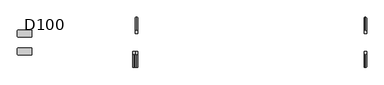
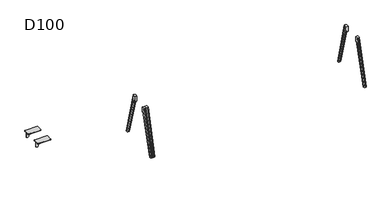
"""IFC4 building model written with IfcOpenShell, lengths in millimetres: furniture geometry, D100."""

from ifc_helpers import new_model, si_unit, point, frame, origin, place, context, project, spatial, polyline, circle_curve, ellipse_curve, trimmed, source, transform, mapped, element, save
from ifc_brep_helpers import plane_surface, cylinder_surface, revolved_surface, advanced_brep


def d100_e232b59c(model_context):
    return source(origin(), model_context, "Body", "AdvancedBrep", [
        advanced_brep(
        [(-3079.2740174, -165.2234902, 821.5334099), (-2905.4913675, -165.2234902, 852.5006338), (-2889.0, -165.2234902, 872.1904661), (-2889.0, -165.2234902, 880.0006338), (-3149.0, -165.2234902, 880.0006338), (-3149.0, -165.2234902, 791.0006338), (-3134.0, -165.2234902, 776.0006338), (-3119.0, -165.2234902, 776.0006338), (-3104.0036896, -165.2234902, 791.3333097), (-3079.2740174, -159.2234902, 821.5334099), (-3104.0036896, -159.2234902, 791.3333097), (-3119.0, -159.2234902, 776.0006338), (-3134.0, -159.2234902, 776.0006338), (-3149.0, -159.2234902, 791.0006338), (-3149.0, -159.2234902, 880.0006338), (-2889.0, -159.2234902, 880.0006338), (-2889.0, -159.2234902, 872.1904661), (-2905.4913675, -159.2234902, 852.5006338), (-3149.0, -113.2234902, 886.0006338), (-3149.0, -113.2234902, 880.0006338), (-3149.0, -211.2234902, 880.0006338), (-3149.0, -211.2234902, 886.0006338), (-3133.0, -227.2234902, 886.0006338), (-2905.0, -227.2234902, 886.0006338), (-2889.0, -211.2234902, 886.0006338), (-2889.0, -113.2234902, 886.0006338), (-2905.0, -97.2234902, 886.0006338), (-3133.0, -97.2234902, 886.0006338), (-2889.0, -211.2234902, 880.0006338), (-2889.0, -113.2234902, 880.0006338), (-3133.0, -97.2234902, 880.0006338), (-2905.0, -97.2234902, 880.0006338), (-2905.0, -227.2234902, 880.0006338), (-3133.0, -227.2234902, 880.0006338)],
        [
            (0, 1),
            (1, 2, circle_curve(frame((-2909.0, -165.2234902, 872.1904661), z_axis=(0.0, -1.0, 0.0), x_axis=(-1.0, 0.0, 0.0)), 20.0)),
            (2, 3),
            (3, 4),
            (4, 5),
            (5, 6, circle_curve(frame((-3134.0, -165.2234902, 791.0006338), z_axis=(0.0, -1.0, 0.0), x_axis=(-1.0, 0.0, 0.0)), 15.0)),
            (6, 7),
            (7, 8, circle_curve(frame((-3119.0, -165.2234902, 791.0006338), z_axis=(0.0, -1.0, 0.0), x_axis=(-1.0, 0.0, 0.0)), 15.0)),
            (8, 0, circle_curve(frame((-3074.0110687, -165.2234902, 791.9986614), z_axis=(0.0, 1.0, 0.0), x_axis=(-1.0, 0.0, 0.0)), 30.0)),
            (9, 10, circle_curve(frame((-3074.0110687, -159.2234902, 791.9986614), z_axis=(0.0, -1.0, 0.0), x_axis=(-1.0, 0.0, 0.0)), 30.0)),
            (10, 11, circle_curve(frame((-3119.0, -159.2234902, 791.0006338), z_axis=(0.0, 1.0, 0.0), x_axis=(-1.0, 0.0, 0.0)), 15.0)),
            (11, 12),
            (12, 13, circle_curve(frame((-3134.0, -159.2234902, 791.0006338), z_axis=(0.0, 1.0, 0.0), x_axis=(-1.0, 0.0, 0.0)), 15.0)),
            (13, 14),
            (14, 15),
            (15, 16),
            (16, 17, circle_curve(frame((-2909.0, -159.2234902, 872.1904661), z_axis=(0.0, 1.0, 0.0), x_axis=(-1.0, 0.0, 0.0)), 20.0)),
            (17, 9),
            (8, 10),
            (9, 0),
            (18, 19),
            (19, 14),
            (13, 5),
            (4, 20),
            (20, 21),
            (21, 18),
            (21, 22, circle_curve(frame((-3133.0, -211.2234902, 886.0006338), z_axis=(0.0, 0.0, 1.0), x_axis=(1.0, 0.0, 0.0)), 16.0)),
            (22, 23),
            (23, 24, circle_curve(frame((-2905.0, -211.2234902, 886.0006338), z_axis=(0.0, 0.0, 1.0), x_axis=(1.0, 0.0, 0.0)), 16.0)),
            (24, 25),
            (25, 26, circle_curve(frame((-2905.0, -113.2234902, 886.0006338), z_axis=(0.0, 0.0, 1.0), x_axis=(1.0, 0.0, 0.0)), 16.0)),
            (26, 27),
            (27, 18, circle_curve(frame((-3133.0, -113.2234902, 886.0006338), z_axis=(0.0, 0.0, 1.0), x_axis=(1.0, 0.0, 0.0)), 16.0)),
            (24, 28),
            (28, 3),
            (2, 16),
            (15, 29),
            (29, 25),
            (1, 17),
            (7, 11),
            (6, 12),
            (30, 31),
            (31, 29, circle_curve(frame((-2905.0, -113.2234902, 880.0006338), z_axis=(0.0, 0.0, -1.0), x_axis=(1.0, 0.0, 0.0)), 16.0)),
            (19, 30, circle_curve(frame((-3133.0, -113.2234902, 880.0006338), z_axis=(0.0, 0.0, -1.0), x_axis=(1.0, 0.0, 0.0)), 16.0)),
            (28, 32, circle_curve(frame((-2905.0, -211.2234902, 880.0006338), z_axis=(0.0, 0.0, -1.0), x_axis=(1.0, 0.0, 0.0)), 16.0)),
            (32, 33),
            (33, 20, circle_curve(frame((-3133.0, -211.2234902, 880.0006338), z_axis=(0.0, 0.0, -1.0), x_axis=(1.0, 0.0, 0.0)), 16.0)),
            (27, 30),
            (33, 22),
            (32, 23),
            (31, 26),
        ],
        [
            plane_surface(frame((-2905.4913675, -165.2234902, 852.5006338), z_axis=(0.0, -1.0, 0.0), x_axis=(0.9844916178685639, 0.0, 0.17543162299465165))),
            plane_surface(frame((-2905.4913675, -159.2234902, 852.5006338), z_axis=(0.0, 1.0, 0.0), x_axis=(-0.9844916178685639, 0.0, -0.17543162299465165))),
            revolved_surface(polyline([(-3104.0110687, -159.2234902, 791.9986614), (-3104.0110687, -165.2234902, 791.9986614)]), (-3074.0110687, -159.2234902, 791.9986614), (0.0, 1.0, 0.0)),
            plane_surface(frame((-3149.0, -165.2234902, 886.0006338), z_axis=(-1.0, 0.0, 0.0), x_axis=(0.0, 1.0, 0.0))),
            plane_surface(frame((-2889.0, -165.2234902, 886.0006338), z_axis=(0.0, 0.0, 1.0), x_axis=(0.0, 1.0, 0.0))),
            plane_surface(frame((-2889.0, -165.2234902, 872.1904661), z_axis=(1.0, 0.0, 0.0), x_axis=(0.0, 1.0, 0.0))),
            cylinder_surface(frame((-2909.0, -159.2234902, 872.1904661), z_axis=(0.0, -1.0, 0.0), x_axis=(-1.0, 0.0, 0.0)), 20.0),
            plane_surface(frame((-3079.2740174, -165.2234902, 821.5334099), z_axis=(0.17543162299465165, 0.0, -0.9844916178685639), x_axis=(0.0, 1.0, 0.0))),
            cylinder_surface(frame((-3119.0, -159.2234902, 791.0006338), z_axis=(0.0, -1.0, 0.0), x_axis=(-1.0, 0.0, 0.0)), 15.0),
            plane_surface(frame((-3134.0, -165.2234902, 776.0006338), z_axis=(0.0, 0.0, -1.0), x_axis=(0.0, 1.0, 0.0))),
            cylinder_surface(frame((-3134.0, -159.2234902, 791.0006338), z_axis=(0.0, -1.0, 0.0), x_axis=(-1.0, 0.0, 0.0)), 15.0),
            plane_surface(frame((-3117.0, -113.2234902, 880.0006338), z_axis=(0.0, 0.0, -1.0), x_axis=(0.0, -1.0, 0.0))),
            cylinder_surface(frame((-3133.0, -113.2234902, 880.0006338), z_axis=(0.0, 0.0, 1.0), x_axis=(1.0, 0.0, 0.0)), 16.0),
            cylinder_surface(frame((-3133.0, -211.2234902, 880.0006338), z_axis=(0.0, 0.0, 1.0), x_axis=(1.0, 0.0, 0.0)), 16.0),
            plane_surface(frame((-3133.0, -227.2234902, 886.0006338), z_axis=(0.0, -1.0, 0.0), x_axis=(0.0, 0.0, -1.0))),
            cylinder_surface(frame((-2905.0, -211.2234902, 880.0006338), z_axis=(0.0, 0.0, 1.0), x_axis=(1.0, 0.0, 0.0)), 16.0),
            cylinder_surface(frame((-2905.0, -113.2234902, 880.0006338), z_axis=(0.0, 0.0, 1.0), x_axis=(1.0, 0.0, 0.0)), 16.0),
            plane_surface(frame((-2905.0, -97.2234902, 886.0006338), z_axis=(0.0, 1.0, 0.0), x_axis=(0.0, 0.0, -1.0))),
        ],
        [
            (0, [[1, 2, 3, 4, 5, 6, 7, 8, 9]]),
            (1, [[10, 11, 12, 13, 14, 15, 16, 17, 18]]),
            (2, [[-9, 19, -10, 20]]),
            (3, [[21, 22, -14, 23, -5, 24, 25, 26]]),
            (4, [[-26, 27, 28, 29, 30, 31, 32, 33]]),
            (5, [[-30, 34, 35, -3, 36, -16, 37, 38]]),
            (6, [[-2, 39, -17, -36]]),
            (7, [[-1, -20, -18, -39]]),
            (8, [[-8, 40, -11, -19]]),
            (9, [[-7, 41, -12, -40]]),
            (10, [[-6, -23, -13, -41]]),
            (11, [[42, 43, -37, -15, -22, 44]]),
            (11, [[45, 46, 47, -24, -4, -35]]),
            (12, [[-33, 48, -44, -21]]),
            (13, [[-27, -25, -47, 49]]),
            (14, [[-28, -49, -46, 50]]),
            (15, [[-29, -50, -45, -34]]),
            (16, [[-31, -38, -43, 51]]),
            (17, [[-32, -51, -42, -48]]),
        ],
    ),
        advanced_brep(
        [(-3079.2740174, 165.2234902, 821.5334099), (-3104.0036896, 165.2234902, 791.3333097), (-3119.0, 165.2234902, 776.0006338), (-3134.0, 165.2234902, 776.0006338), (-3149.0, 165.2234902, 791.0006338), (-3149.0, 165.2234902, 880.0006338), (-2889.0, 165.2234902, 880.0006338), (-2889.0, 165.2234902, 872.1904661), (-2905.4913675, 165.2234902, 852.5006338), (-3079.2740174, 159.2234902, 821.5334099), (-2905.4913675, 159.2234902, 852.5006338), (-2889.0, 159.2234902, 872.1904661), (-2889.0, 159.2234902, 880.0006338), (-3149.0, 159.2234902, 880.0006338), (-3149.0, 159.2234902, 791.0006338), (-3134.0, 159.2234902, 776.0006338), (-3119.0, 159.2234902, 776.0006338), (-3104.0036896, 159.2234902, 791.3333097), (-3149.0, 113.2234902, 880.0006338), (-3149.0, 113.2234902, 886.0006338), (-3149.0, 211.2234902, 886.0006338), (-3149.0, 211.2234902, 880.0006338), (-3133.0, 97.2234902, 886.0006338), (-2905.0, 97.2234902, 886.0006338), (-2889.0, 113.2234902, 886.0006338), (-2889.0, 211.2234902, 886.0006338), (-2905.0, 227.2234902, 886.0006338), (-3133.0, 227.2234902, 886.0006338), (-2889.0, 113.2234902, 880.0006338), (-2889.0, 211.2234902, 880.0006338), (-3133.0, 97.2234902, 880.0006338), (-2905.0, 97.2234902, 880.0006338), (-3133.0, 227.2234902, 880.0006338), (-2905.0, 227.2234902, 880.0006338)],
        [
            (0, 1, circle_curve(frame((-3074.0110687, 165.2234902, 791.9986614), z_axis=(0.0, -1.0, 0.0), x_axis=(-1.0, 0.0, 0.0)), 30.0)),
            (1, 2, circle_curve(frame((-3119.0, 165.2234902, 791.0006338), z_axis=(0.0, 1.0, 0.0), x_axis=(-1.0, 0.0, 0.0)), 15.0)),
            (2, 3),
            (3, 4, circle_curve(frame((-3134.0, 165.2234902, 791.0006338), z_axis=(0.0, 1.0, 0.0), x_axis=(-1.0, 0.0, 0.0)), 15.0)),
            (4, 5),
            (5, 6),
            (6, 7),
            (7, 8, circle_curve(frame((-2909.0, 165.2234902, 872.1904661), z_axis=(0.0, 1.0, 0.0), x_axis=(-1.0, 0.0, 0.0)), 20.0)),
            (8, 0),
            (9, 10),
            (10, 11, circle_curve(frame((-2909.0, 159.2234902, 872.1904661), z_axis=(0.0, -1.0, 0.0), x_axis=(-1.0, 0.0, 0.0)), 20.0)),
            (11, 12),
            (12, 13),
            (13, 14),
            (14, 15, circle_curve(frame((-3134.0, 159.2234902, 791.0006338), z_axis=(0.0, -1.0, 0.0), x_axis=(-1.0, 0.0, 0.0)), 15.0)),
            (15, 16),
            (16, 17, circle_curve(frame((-3119.0, 159.2234902, 791.0006338), z_axis=(0.0, -1.0, 0.0), x_axis=(-1.0, 0.0, 0.0)), 15.0)),
            (17, 9, circle_curve(frame((-3074.0110687, 159.2234902, 791.9986614), z_axis=(0.0, 1.0, 0.0), x_axis=(-1.0, 0.0, 0.0)), 30.0)),
            (0, 9),
            (17, 1),
            (4, 14),
            (13, 18),
            (18, 19),
            (19, 20),
            (20, 21),
            (21, 5),
            (19, 22, circle_curve(frame((-3133.0, 113.2234902, 886.0006338), z_axis=(0.0, 0.0, 1.0), x_axis=(1.0, 0.0, 0.0)), 16.0)),
            (22, 23),
            (23, 24, circle_curve(frame((-2905.0, 113.2234902, 886.0006338), z_axis=(0.0, 0.0, 1.0), x_axis=(1.0, 0.0, 0.0)), 16.0)),
            (24, 25),
            (25, 26, circle_curve(frame((-2905.0, 211.2234902, 886.0006338), z_axis=(0.0, 0.0, 1.0), x_axis=(1.0, 0.0, 0.0)), 16.0)),
            (26, 27),
            (27, 20, circle_curve(frame((-3133.0, 211.2234902, 886.0006338), z_axis=(0.0, 0.0, 1.0), x_axis=(1.0, 0.0, 0.0)), 16.0)),
            (24, 28),
            (28, 12),
            (11, 7),
            (6, 29),
            (29, 25),
            (10, 8),
            (16, 2),
            (15, 3),
            (30, 18, circle_curve(frame((-3133.0, 113.2234902, 880.0006338), z_axis=(0.0, 0.0, -1.0), x_axis=(1.0, 0.0, 0.0)), 16.0)),
            (28, 31, circle_curve(frame((-2905.0, 113.2234902, 880.0006338), z_axis=(0.0, 0.0, -1.0), x_axis=(1.0, 0.0, 0.0)), 16.0)),
            (31, 30),
            (21, 32, circle_curve(frame((-3133.0, 211.2234902, 880.0006338), z_axis=(0.0, 0.0, -1.0), x_axis=(1.0, 0.0, 0.0)), 16.0)),
            (32, 33),
            (33, 29, circle_curve(frame((-2905.0, 211.2234902, 880.0006338), z_axis=(0.0, 0.0, -1.0), x_axis=(1.0, 0.0, 0.0)), 16.0)),
            (30, 22),
            (27, 32),
            (26, 33),
            (23, 31),
        ],
        [
            plane_surface(frame((-3104.0110687, 165.2234902, 791.9986614), z_axis=(0.0, 1.0, 0.0), x_axis=(0.0, 0.0, -1.0))),
            plane_surface(frame((-3104.0110687, 159.2234902, 791.9986614), z_axis=(0.0, -1.0, 0.0), x_axis=(0.0, 0.0, 1.0))),
            revolved_surface(polyline([(-3104.0110687, 159.2234902, 791.9986614), (-3104.0110687, 165.2234902, 791.9986614)]), (-3074.0110687, 159.2234902, 791.9986614), (0.0, -1.0, 0.0)),
            plane_surface(frame((-3149.0, 165.2234902, 791.0006338), z_axis=(-1.0, 0.0, 0.0), x_axis=(0.0, -1.0, 0.0))),
            plane_surface(frame((-3149.0, 165.2234902, 886.0006338), z_axis=(0.0, 0.0, 1.0), x_axis=(0.0, -1.0, 0.0))),
            plane_surface(frame((-2889.0, 165.2234902, 886.0006338), z_axis=(1.0, 0.0, 0.0), x_axis=(0.0, -1.0, 0.0))),
            cylinder_surface(frame((-2909.0, 159.2234902, 872.1904661), z_axis=(0.0, 1.0, 0.0), x_axis=(-1.0, 0.0, 0.0)), 20.0),
            plane_surface(frame((-2905.4913675, 165.2234902, 852.5006338), z_axis=(0.17543162299465243, 0.0, -0.9844916178685638), x_axis=(0.0, -1.0, 0.0))),
            cylinder_surface(frame((-3119.0, 159.2234902, 791.0006338), z_axis=(0.0, 1.0, 0.0), x_axis=(-1.0, 0.0, 0.0)), 15.0),
            plane_surface(frame((-3119.0, 165.2234902, 776.0006338), z_axis=(0.0, 0.0, -1.0), x_axis=(0.0, -1.0, 0.0))),
            cylinder_surface(frame((-3134.0, 159.2234902, 791.0006338), z_axis=(0.0, 1.0, 0.0), x_axis=(-1.0, 0.0, 0.0)), 15.0),
            plane_surface(frame((-2905.0, 97.2234902, 880.0006338), z_axis=(0.0, 0.0, -1.0), x_axis=(-1.0, 0.0, 0.0))),
            cylinder_surface(frame((-3133.0, 113.2234902, 880.0006338), z_axis=(0.0, 0.0, 1.0), x_axis=(1.0, 0.0, 0.0)), 16.0),
            cylinder_surface(frame((-3133.0, 211.2234902, 880.0006338), z_axis=(0.0, 0.0, 1.0), x_axis=(1.0, 0.0, 0.0)), 16.0),
            plane_surface(frame((-2905.0, 227.2234902, 886.0006338), z_axis=(0.0, 1.0, 0.0), x_axis=(0.0, 0.0, -1.0))),
            cylinder_surface(frame((-2905.0, 211.2234902, 880.0006338), z_axis=(0.0, 0.0, 1.0), x_axis=(1.0, 0.0, 0.0)), 16.0),
            cylinder_surface(frame((-2905.0, 113.2234902, 880.0006338), z_axis=(0.0, 0.0, 1.0), x_axis=(1.0, 0.0, 0.0)), 16.0),
            plane_surface(frame((-3133.0, 97.2234902, 886.0006338), z_axis=(0.0, -1.0, 0.0), x_axis=(0.0, 0.0, -1.0))),
        ],
        [
            (0, [[1, 2, 3, 4, 5, 6, 7, 8, 9]]),
            (1, [[10, 11, 12, 13, 14, 15, 16, 17, 18]]),
            (2, [[-1, 19, -18, 20]]),
            (3, [[21, -14, 22, 23, 24, 25, 26, -5]]),
            (4, [[-24, 27, 28, 29, 30, 31, 32, 33]]),
            (5, [[-30, 34, 35, -12, 36, -7, 37, 38]]),
            (6, [[-8, -36, -11, 39]]),
            (7, [[-9, -39, -10, -19]]),
            (8, [[-2, -20, -17, 40]]),
            (9, [[-3, -40, -16, 41]]),
            (10, [[-4, -41, -15, -21]]),
            (11, [[42, -22, -13, -35, 43, 44]]),
            (11, [[45, 46, 47, -37, -6, -26]]),
            (12, [[-27, -23, -42, 48]]),
            (13, [[-33, 49, -45, -25]]),
            (14, [[-32, 50, -46, -49]]),
            (15, [[-31, -38, -47, -50]]),
            (16, [[-29, 51, -43, -34]]),
            (17, [[-28, -48, -44, -51]]),
        ],
    ),
        advanced_brep(
        [(3134.0, -196.7124504, 753.5883612), (3149.0, -211.1253977, 757.7437132), (3149.0, -429.58813, 0.0), (3134.0, -413.9771661, 0.0), (3104.0, -211.1253977, 757.7437132), (3119.0, -196.7124504, 753.5883612), (3119.0, -413.9771661, 0.0), (3104.0, -429.58813, 0.0), (3149.0, -166.9256926, 791.0006338), (3134.0, -166.9256926, 776.0006338), (3134.0, -165.2234902, 776.0006338), (3149.0, -165.2234902, 791.0006338), (3119.0, -166.9256926, 776.0006338), (3104.0, -166.9256926, 791.0006338), (3104.0, -165.2234902, 791.0006338), (3119.0, -165.2234902, 776.0006338), (3104.0, -165.2234902, 880.0006338), (3104.0, -439.8031746, 0.0), (3104.0, -211.7278851, 880.0006338), (3149.0, -165.2234902, 880.0006338), (3149.0, -211.7278851, 880.0006338), (3149.0, -439.8031746, 0.0), (3134.0, -455.2987797, 0.0), (3119.0, -455.2987797, 0.0), (3134.0, -227.2234902, 880.0006338), (3119.0, -227.2234902, 880.0006338)],
        [
            (0, 1, circle_curve(frame((3134.0, -211.1253977, 757.7437132), z_axis=(0.0, -0.2770234661368847, -0.9608631532166827), x_axis=(0.0, 0.9608631532166827, -0.2770234661368847)), 15.0)),
            (1, 2),
            (2, 3, ellipse_curve(frame((3134.0, -429.58813, 0.0), z_axis=(0.0, 0.0, 1.0), x_axis=(0.0, 1.0, 0.0)), 15.6109639, 15.0)),
            (3, 0),
            (4, 5, circle_curve(frame((3119.0, -211.1253977, 757.7437132), z_axis=(0.0, -0.2770234661368847, -0.9608631532166827), x_axis=(0.0, 0.9608631532166827, -0.2770234661368847)), 15.0)),
            (5, 6),
            (6, 7, ellipse_curve(frame((3119.0, -429.58813, 0.0), z_axis=(0.0, 0.0, 1.0), x_axis=(0.0, 1.0, 0.0)), 15.6109639, 15.0)),
            (7, 4),
            (8, 9, circle_curve(frame((3134.0, -166.9256926, 791.0006338), z_axis=(0.0, 1.0, 0.0), x_axis=(0.0, 0.0, -1.0)), 15.0)),
            (9, 10),
            (10, 11, circle_curve(frame((3134.0, -165.2234902, 791.0006338), z_axis=(0.0, -1.0, 0.0), x_axis=(0.0, 0.0, -1.0)), 15.0)),
            (11, 8),
            (12, 13, circle_curve(frame((3119.0, -166.9256926, 791.0006338), z_axis=(0.0, 1.0, 0.0), x_axis=(0.0, 0.0, -1.0)), 15.0)),
            (13, 14),
            (14, 15, circle_curve(frame((3119.0, -165.2234902, 791.0006338), z_axis=(0.0, -1.0, 0.0), x_axis=(0.0, 0.0, -1.0)), 15.0)),
            (15, 12),
            (0, 9, circle_curve(frame((3134.0, -166.9256926, 745.0006338), z_axis=(-1.0, 0.0, 0.0), x_axis=(0.0, -0.9608631532166849, 0.2770234661368772)), 31.0)),
            (8, 1, circle_curve(frame((3149.0, -166.9256926, 745.0006338), z_axis=(1.0, 0.0, 0.0), x_axis=(0.0, -0.9608631532166849, 0.2770234661368772)), 46.0)),
            (4, 13, circle_curve(frame((3104.0, -166.9256926, 745.0006338), z_axis=(-1.0, 0.0, 0.0), x_axis=(0.0, -0.9608631532166849, 0.2770234661368772)), 46.0)),
            (12, 5, circle_curve(frame((3119.0, -166.9256926, 745.0006338), z_axis=(1.0, 0.0, 0.0), x_axis=(0.0, -0.9608631532166849, 0.2770234661368772)), 31.0)),
            (16, 14),
            (7, 17),
            (17, 18),
            (18, 16),
            (11, 19),
            (19, 20),
            (20, 21),
            (21, 2),
            (5, 0),
            (3, 6),
            (21, 22, ellipse_curve(frame((3134.0, -439.8031746, 0.0), z_axis=(0.0, 0.0, -1.0), x_axis=(0.0, 1.0, 0.0)), 15.4956051, 15.0)),
            (22, 23),
            (23, 17, ellipse_curve(frame((3119.0, -439.8031746, 0.0), z_axis=(0.0, 0.0, -1.0), x_axis=(0.0, 1.0, 0.0)), 15.4956051, 15.0)),
            (22, 24),
            (24, 25),
            (25, 23),
            (19, 16),
            (18, 25, ellipse_curve(frame((3119.0, -211.7278851, 880.0006338), z_axis=(0.0, 0.0, 1.0), x_axis=(0.0, 1.0, 0.0)), 15.4956051, 15.0)),
            (24, 20, ellipse_curve(frame((3134.0, -211.7278851, 880.0006338), z_axis=(0.0, 0.0, 1.0), x_axis=(0.0, 1.0, 0.0)), 15.4956051, 15.0)),
            (10, 15),
            (9, 12),
        ],
        [
            cylinder_surface(frame((3134.0, -448.1062889, -64.2307193), z_axis=(0.0, 0.2770234661368847, 0.9608631532166827), x_axis=(0.0, 0.9608631532166827, -0.2770234661368847)), 15.0),
            cylinder_surface(frame((3119.0, -448.1062889, -64.2307193), z_axis=(0.0, 0.2770234661368847, 0.9608631532166827), x_axis=(0.0, 0.9608631532166827, -0.2770234661368847)), 15.0),
            cylinder_surface(frame((3134.0, -166.9256926, 791.0006338), z_axis=(0.0, 1.0, 0.0), x_axis=(0.0, 0.0, -1.0)), 15.0),
            cylinder_surface(frame((3119.0, -166.9256926, 791.0006338), z_axis=(0.0, 1.0, 0.0), x_axis=(0.0, 0.0, -1.0)), 15.0),
            revolved_surface(trimmed(ellipse_curve(frame((3134.0, -211.1253977, 757.7437132), z_axis=(0.0, -0.27702346613687723, -0.9608631532166849), x_axis=(0.0, 0.9608631532166849, -0.27702346613687723)), 15.0, 15.0), [point((3134.0, -196.7124504, 753.5883612))], [point((3149.0, -211.1253977, 757.7437132))], True, "CARTESIAN"), (2367.0, -166.9256926, 745.0006338), (-1.0, 0.0, 0.0)),
            revolved_surface(trimmed(ellipse_curve(frame((3119.0, -211.1253977, 757.7437132), z_axis=(0.0, -0.27702346613687723, -0.9608631532166849), x_axis=(0.0, 0.9608631532166849, -0.27702346613687723)), 15.0, 15.0), [point((3104.0, -211.1253977, 757.7437132))], [point((3119.0, -196.7124504, 753.5883612))], True, "CARTESIAN"), (2367.0, -166.9256926, 745.0006338), (-1.0, 0.0, 0.0)),
            plane_surface(frame((3104.0, -413.4231192, 1.9217263), z_axis=(-1.0000000000000002, 0.0, 0.0), x_axis=(0.0, -0.2770234661368848, -0.9608631532166828))),
            plane_surface(frame((3149.0, -413.4231192, 1.9217263), z_axis=(1.0000000000000002, 0.0, 0.0), x_axis=(0.0, 0.2770234661368848, 0.9608631532166828))),
            plane_surface(frame((3104.0, -196.7124504, 753.5883612), z_axis=(0.0, 0.9608631532166828, -0.2770234661368848), x_axis=(1.0, 0.0, 0.0))),
            plane_surface(frame((3104.0, -413.9771661, 0.0), z_axis=(0.0, 0.0, -1.0), x_axis=(1.0, 0.0, 0.0))),
            plane_surface(frame((3104.0, -455.2987797, 0.0), z_axis=(0.0, -0.9680164090089575, 0.25088689062883046), x_axis=(1.0, 0.0, 0.0))),
            plane_surface(frame((3104.0, -227.2234902, 880.0006338), z_axis=(0.0, 0.0, 1.0), x_axis=(1.0, 0.0, 0.0))),
            plane_surface(frame((3104.0, -165.2234902, 880.0006338), z_axis=(0.0, 1.0, 0.0), x_axis=(1.0, 0.0, 0.0))),
            plane_surface(frame((3104.0, -165.2234902, 776.0006338), z_axis=(0.0, 0.0, -1.0), x_axis=(1.0, 0.0, 0.0))),
            revolved_surface(polyline([(3134.0, -135.9256926, 745.0006338), (3119.0, -135.9256926, 745.0006338)]), (3149.0, -166.9256926, 745.0006338), (1.0, 0.0, 0.0)),
            cylinder_surface(frame((3134.0, -457.7527706, -69.2563225), z_axis=(0.0, 0.25088689062883374, 0.9680164090089567), x_axis=(0.0, 0.9680164090089567, -0.25088689062883374)), 15.0),
            cylinder_surface(frame((3119.0, -457.7527706, -69.2563225), z_axis=(0.0, 0.25088689062883374, 0.9680164090089567), x_axis=(0.0, 0.9680164090089567, -0.25088689062883374)), 15.0),
        ],
        [
            (0, [[1, 2, 3, 4]]),
            (1, [[5, 6, 7, 8]]),
            (2, [[9, 10, 11, 12]]),
            (3, [[13, 14, 15, 16]]),
            (4, [[-1, 17, -9, 18]]),
            (5, [[-5, 19, -13, 20]]),
            (6, [[21, -14, -19, -8, 22, 23, 24]]),
            (7, [[25, 26, 27, 28, -2, -18, -12]]),
            (8, [[29, -4, 30, -6]]),
            (9, [[-30, -3, -28, 31, 32, 33, -22, -7]]),
            (10, [[-32, 34, 35, 36]]),
            (11, [[37, -24, 38, -35, 39, -26]]),
            (12, [[-37, -25, -11, 40, -15, -21]]),
            (13, [[-40, -10, 41, -16]]),
            (14, [[-29, -20, -41, -17]]),
            (15, [[-27, -39, -34, -31]]),
            (16, [[-23, -33, -36, -38]]),
        ],
    ),
        advanced_brep(
        [(3134.0, 166.9256926, 776.0006338), (3149.0, 166.9256926, 791.0006338), (3149.0, 165.2234902, 791.0006338), (3134.0, 165.2234902, 776.0006338), (3104.0, 166.9256926, 791.0006338), (3119.0, 166.9256926, 776.0006338), (3119.0, 165.2234902, 776.0006338), (3104.0, 165.2234902, 791.0006338), (3149.0, 211.1253977, 757.7437132), (3134.0, 196.7124504, 753.5883612), (3134.0, 413.9771661, 0.0), (3149.0, 429.58813, 0.0), (3119.0, 196.7124504, 753.5883612), (3104.0, 211.1253977, 757.7437132), (3104.0, 429.58813, 0.0), (3119.0, 413.9771661, 0.0), (3104.0, 165.2234902, 880.0006338), (3104.0, 211.7278851, 880.0006338), (3104.0, 439.8031746, 0.0), (3149.0, 165.2234902, 880.0006338), (3149.0, 439.8031746, 0.0), (3149.0, 211.7278851, 880.0006338), (3119.0, 455.2987797, 0.0), (3134.0, 455.2987797, 0.0), (3119.0, 227.2234902, 880.0006338), (3134.0, 227.2234902, 880.0006338)],
        [
            (0, 1, circle_curve(frame((3134.0, 166.9256926, 791.0006338), z_axis=(0.0, -1.0, 0.0), x_axis=(0.0, 0.0, -1.0)), 15.0)),
            (1, 2),
            (2, 3, circle_curve(frame((3134.0, 165.2234902, 791.0006338), z_axis=(0.0, 1.0, 0.0), x_axis=(0.0, 0.0, -1.0)), 15.0)),
            (3, 0),
            (4, 5, circle_curve(frame((3119.0, 166.9256926, 791.0006338), z_axis=(0.0, -1.0, 0.0), x_axis=(0.0, 0.0, -1.0)), 15.0)),
            (5, 6),
            (6, 7, circle_curve(frame((3119.0, 165.2234902, 791.0006338), z_axis=(0.0, 1.0, 0.0), x_axis=(0.0, 0.0, -1.0)), 15.0)),
            (7, 4),
            (8, 9, circle_curve(frame((3134.0, 211.1253977, 757.7437132), z_axis=(0.0, 0.277023466136888, -0.9608631532166818), x_axis=(0.0, -0.9608631532166818, -0.277023466136888)), 15.0)),
            (9, 10),
            (10, 11, ellipse_curve(frame((3134.0, 429.58813, 0.0), z_axis=(0.0, 0.0, 1.0), x_axis=(0.0, 1.0, 0.0)), 15.6109639, 15.0)),
            (11, 8),
            (12, 13, circle_curve(frame((3119.0, 211.1253977, 757.7437132), z_axis=(0.0, 0.277023466136888, -0.9608631532166818), x_axis=(0.0, -0.9608631532166818, -0.277023466136888)), 15.0)),
            (13, 14),
            (14, 15, ellipse_curve(frame((3119.0, 429.58813, 0.0), z_axis=(0.0, 0.0, 1.0), x_axis=(0.0, 1.0, 0.0)), 15.6109639, 15.0)),
            (15, 12),
            (0, 9, circle_curve(frame((3134.0, 166.9256926, 745.0006338), z_axis=(-1.0, 0.0, 0.0), x_axis=(0.0, 0.0, 1.0)), 31.0)),
            (8, 1, circle_curve(frame((3149.0, 166.9256926, 745.0006338), z_axis=(1.0, 0.0, 0.0), x_axis=(0.0, 0.0, 1.0)), 46.0)),
            (4, 13, circle_curve(frame((3104.0, 166.9256926, 745.0006338), z_axis=(-1.0, 0.0, 0.0), x_axis=(0.0, 0.0, 1.0)), 46.0)),
            (12, 5, circle_curve(frame((3119.0, 166.9256926, 745.0006338), z_axis=(1.0, 0.0, 0.0), x_axis=(0.0, 0.0, 1.0)), 31.0)),
            (7, 16),
            (16, 17),
            (17, 18),
            (18, 14),
            (19, 2),
            (11, 20),
            (20, 21),
            (21, 19),
            (15, 10),
            (9, 12),
            (18, 22, ellipse_curve(frame((3119.0, 439.8031746, 0.0), z_axis=(0.0, 0.0, -1.0), x_axis=(0.0, -1.0, 0.0)), 15.4956051, 15.0)),
            (22, 23),
            (23, 20, ellipse_curve(frame((3134.0, 439.8031746, 0.0), z_axis=(0.0, 0.0, -1.0), x_axis=(0.0, -1.0, 0.0)), 15.4956051, 15.0)),
            (22, 24),
            (24, 25),
            (25, 23),
            (16, 19),
            (21, 25, ellipse_curve(frame((3134.0, 211.7278851, 880.0006338), z_axis=(0.0, 0.0, 1.0), x_axis=(0.0, -1.0, 0.0)), 15.4956051, 15.0)),
            (24, 17, ellipse_curve(frame((3119.0, 211.7278851, 880.0006338), z_axis=(0.0, 0.0, 1.0), x_axis=(0.0, -1.0, 0.0)), 15.4956051, 15.0)),
            (6, 3),
            (5, 0),
        ],
        [
            cylinder_surface(frame((3134.0, -166.9256926, 791.0006338), z_axis=(0.0, 1.0, 0.0), x_axis=(0.0, 0.0, -1.0)), 15.0),
            cylinder_surface(frame((3119.0, -166.9256926, 791.0006338), z_axis=(0.0, 1.0, 0.0), x_axis=(0.0, 0.0, -1.0)), 15.0),
            cylinder_surface(frame((3134.0, 211.1253977, 757.7437132), z_axis=(0.0, 0.277023466136888, -0.9608631532166818), x_axis=(0.0, -0.9608631532166818, -0.277023466136888)), 15.0),
            cylinder_surface(frame((3119.0, 211.1253977, 757.7437132), z_axis=(0.0, 0.277023466136888, -0.9608631532166818), x_axis=(0.0, -0.9608631532166818, -0.277023466136888)), 15.0),
            revolved_surface(trimmed(ellipse_curve(frame((3134.0, 166.9256926, 791.0006338), z_axis=(0.0, -1.0, 0.0), x_axis=(0.0, 0.0, -1.0)), 15.0, 15.0), [point((3134.0, 166.9256926, 776.0006338))], [point((3149.0, 166.9256926, 791.0006338))], True, "CARTESIAN"), (2367.0, 166.9256926, 745.0006338), (-1.0, 0.0, 0.0)),
            revolved_surface(trimmed(ellipse_curve(frame((3119.0, 166.9256926, 791.0006338), z_axis=(0.0, -1.0, 0.0), x_axis=(0.0, 0.0, -1.0)), 15.0, 15.0), [point((3104.0, 166.9256926, 791.0006338))], [point((3119.0, 166.9256926, 776.0006338))], True, "CARTESIAN"), (2367.0, 166.9256926, 745.0006338), (-1.0, 0.0, 0.0)),
            plane_surface(frame((3104.0, 135.9256926, 745.0006338), z_axis=(-1.0, 0.0, 0.0), x_axis=(0.0, 0.0, -1.0))),
            plane_surface(frame((3149.0, 135.9256926, 745.0006338), z_axis=(1.0, 0.0, 0.0), x_axis=(0.0, 0.0, 1.0))),
            plane_surface(frame((3104.0, 413.9771661, 0.0), z_axis=(0.0, -0.9608631532166828, -0.2770234661368848), x_axis=(1.0, 0.0, 0.0))),
            plane_surface(frame((3104.0, 455.2987797, 0.0), z_axis=(0.0, 0.0, -1.0), x_axis=(1.0, 0.0, 0.0))),
            plane_surface(frame((3104.0, 227.2234902, 880.0006338), z_axis=(0.0, 0.9680164090089575, 0.25088689062883046), x_axis=(1.0, 0.0, 0.0))),
            plane_surface(frame((3104.0, 165.2234902, 880.0006338), z_axis=(0.0, 0.0, 1.0), x_axis=(1.0, 0.0, 0.0))),
            plane_surface(frame((3104.0, 165.2234902, 776.0006338), z_axis=(0.0, -1.0, 0.0), x_axis=(1.0, 0.0, 0.0))),
            plane_surface(frame((3104.0, 166.9256926, 776.0006338), z_axis=(0.0, 0.0, -1.0), x_axis=(1.0, 0.0, 0.0))),
            revolved_surface(polyline([(3134.0, 135.9256926, 745.0006338), (3119.0, 135.9256926, 745.0006338)]), (3149.0, 166.9256926, 745.0006338), (1.0, 0.0, 0.0)),
            cylinder_surface(frame((3134.0, 457.7527706, -69.2563225), z_axis=(0.0, -0.25088689062883374, 0.9680164090089567), x_axis=(0.0, 0.9680164090089567, 0.25088689062883374)), 15.0),
            cylinder_surface(frame((3119.0, 457.7527706, -69.2563225), z_axis=(0.0, -0.25088689062883374, 0.9680164090089567), x_axis=(0.0, 0.9680164090089567, 0.25088689062883374)), 15.0),
        ],
        [
            (0, [[1, 2, 3, 4]]),
            (1, [[5, 6, 7, 8]]),
            (2, [[9, 10, 11, 12]]),
            (3, [[13, 14, 15, 16]]),
            (4, [[-1, 17, -9, 18]]),
            (5, [[-5, 19, -13, 20]]),
            (6, [[21, 22, 23, 24, -14, -19, -8]]),
            (7, [[25, -2, -18, -12, 26, 27, 28]]),
            (8, [[29, -10, 30, -16]]),
            (9, [[-29, -15, -24, 31, 32, 33, -26, -11]]),
            (10, [[-32, 34, 35, 36]]),
            (11, [[37, -28, 38, -35, 39, -22]]),
            (12, [[-37, -21, -7, 40, -3, -25]]),
            (13, [[-40, -6, 41, -4]]),
            (14, [[-41, -20, -30, -17]]),
            (15, [[-27, -33, -36, -38]]),
            (16, [[-23, -39, -34, -31]]),
        ],
    ),
        advanced_brep(
        [(-980.0, 211.7278851, 880.0006338), (-980.0, 165.2234902, 880.0006338), (-980.0, 165.2234902, 791.0006338), (-980.0, 166.9256926, 791.0006338), (-980.0, 211.1253977, 757.7437132), (-980.0, 429.58813, 0.0), (-980.0, 439.8031746, 0.0), (-1025.0, 165.2234902, 880.0006338), (-1025.0, 211.7278851, 880.0006338), (-1025.0, 439.8031746, 0.0), (-1025.0, 429.58813, 0.0), (-1025.0, 211.1253977, 757.7437132), (-1025.0, 166.9256926, 791.0006338), (-1025.0, 165.2234902, 791.0006338), (-995.0, 196.7124504, 753.5883612), (-1010.0, 196.7124504, 753.5883612), (-1010.0, 413.9771661, 0.0), (-995.0, 413.9771661, 0.0), (-1010.0, 455.2987797, 0.0), (-995.0, 455.2987797, 0.0), (-1010.0, 227.2234902, 880.0006338), (-995.0, 227.2234902, 880.0006338), (-1010.0, 165.2234902, 776.0006338), (-995.0, 165.2234902, 776.0006338), (-1010.0, 166.9256926, 776.0006338), (-995.0, 166.9256926, 776.0006338)],
        [
            (0, 1),
            (1, 2),
            (2, 3),
            (3, 4, circle_curve(frame((-980.0, 166.9256926, 745.0006338), z_axis=(-1.0, 0.0, 0.0), x_axis=(0.0, 0.0, 1.0)), 46.0)),
            (4, 5),
            (5, 6),
            (6, 0),
            (7, 8),
            (8, 9),
            (9, 10),
            (10, 11),
            (11, 12, circle_curve(frame((-1025.0, 166.9256926, 745.0006338), z_axis=(1.0, 0.0, 0.0), x_axis=(0.0, 0.0, 1.0)), 46.0)),
            (12, 13),
            (13, 7),
            (14, 15),
            (15, 16),
            (16, 17),
            (17, 14),
            (18, 19),
            (19, 6, ellipse_curve(frame((-995.0, 439.8031746, 0.0), z_axis=(0.0, 0.0, -1.0), x_axis=(0.0, -1.0, 0.0)), 15.4956051, 15.0)),
            (5, 17, ellipse_curve(frame((-995.0, 429.58813, 0.0), z_axis=(0.0, 0.0, -1.0), x_axis=(0.0, 1.0, 0.0)), 15.6109639, 15.0)),
            (16, 10, ellipse_curve(frame((-1010.0, 429.58813, 0.0), z_axis=(0.0, 0.0, -1.0), x_axis=(0.0, 1.0, 0.0)), 15.6109639, 15.0)),
            (9, 18, ellipse_curve(frame((-1010.0, 439.8031746, 0.0), z_axis=(0.0, 0.0, -1.0), x_axis=(0.0, -1.0, 0.0)), 15.4956051, 15.0)),
            (18, 20),
            (20, 21),
            (21, 19),
            (7, 1),
            (0, 21, ellipse_curve(frame((-995.0, 211.7278851, 880.0006338), z_axis=(0.0, 0.0, 1.0), x_axis=(0.0, -1.0, 0.0)), 15.4956051, 15.0)),
            (20, 8, ellipse_curve(frame((-1010.0, 211.7278851, 880.0006338), z_axis=(0.0, 0.0, 1.0), x_axis=(0.0, -1.0, 0.0)), 15.4956051, 15.0)),
            (13, 22, circle_curve(frame((-1010.0, 165.2234902, 791.0006338), z_axis=(0.0, -1.0, 0.0), x_axis=(0.0, 0.0, 1.0)), 15.0)),
            (22, 23),
            (23, 2, circle_curve(frame((-995.0, 165.2234902, 791.0006338), z_axis=(0.0, -1.0, 0.0), x_axis=(0.0, 0.0, 1.0)), 15.0)),
            (22, 24),
            (24, 25),
            (25, 23),
            (14, 25, circle_curve(frame((-995.0, 166.9256926, 745.0006338), z_axis=(1.0, 0.0, 0.0), x_axis=(0.0, -1.0, 0.0)), 31.0)),
            (24, 15, circle_curve(frame((-1010.0, 166.9256926, 745.0006338), z_axis=(-1.0, 0.0, 0.0), x_axis=(0.0, -1.0, 0.0)), 31.0)),
            (12, 24, circle_curve(frame((-1010.0, 166.9256926, 791.0006338), z_axis=(0.0, -1.0, 0.0), x_axis=(0.0, 0.0, 1.0)), 15.0)),
            (25, 3, circle_curve(frame((-995.0, 166.9256926, 791.0006338), z_axis=(0.0, -1.0, 0.0), x_axis=(0.0, 0.0, 1.0)), 15.0)),
            (15, 11, circle_curve(frame((-1010.0, 211.1253977, 757.7437132), z_axis=(0.0, 0.277023466136888, -0.9608631532166818), x_axis=(0.0, 0.9608631532166818, 0.277023466136888)), 15.0)),
            (4, 14, circle_curve(frame((-995.0, 211.1253977, 757.7437132), z_axis=(0.0, 0.277023466136888, -0.9608631532166818), x_axis=(0.0, 0.9608631532166818, 0.277023466136888)), 15.0)),
        ],
        [
            plane_surface(frame((-980.0, 413.4231192, 1.9217263), z_axis=(1.0000000000000002, 0.0, 0.0), x_axis=(0.0, 0.2770234661368848, -0.9608631532166828))),
            plane_surface(frame((-1025.0, 413.4231192, 1.9217263), z_axis=(-1.0000000000000002, 0.0, 0.0), x_axis=(0.0, -0.2770234661368848, 0.9608631532166828))),
            plane_surface(frame((-980.0, 196.7124504, 753.5883612), z_axis=(0.0, -0.9608631532166828, -0.2770234661368848), x_axis=(-1.0, 0.0, 0.0))),
            plane_surface(frame((-980.0, 413.9771661, 0.0), z_axis=(0.0, 0.0, -1.0), x_axis=(-1.0, 0.0, 0.0))),
            plane_surface(frame((-980.0, 455.2987797, 0.0), z_axis=(0.0, 0.9680164090089575, 0.25088689062883046), x_axis=(-1.0, 0.0, 0.0))),
            plane_surface(frame((-980.0, 227.2234902, 880.0006338), z_axis=(0.0, 0.0, 1.0), x_axis=(-1.0, 0.0, 0.0))),
            plane_surface(frame((-980.0, 165.2234902, 880.0006338), z_axis=(0.0, -1.0, 0.0), x_axis=(-1.0, 0.0, 0.0))),
            plane_surface(frame((-980.0, 165.2234902, 776.0006338), z_axis=(0.0, 0.0, -1.0), x_axis=(-1.0, 0.0, 0.0))),
            revolved_surface(polyline([(-1010.0, 135.9256926, 745.0006338), (-995.0, 135.9256926, 745.0006338)]), (-1025.0, 166.9256926, 745.0006338), (-1.0, 0.0, 0.0)),
            cylinder_surface(frame((-1010.0, 457.7527706, -69.2563225), z_axis=(0.0, -0.25088689062883374, 0.9680164090089567), x_axis=(0.0, -0.9680164090089567, -0.25088689062883374)), 15.0),
            cylinder_surface(frame((-995.0, 457.7527706, -69.2563225), z_axis=(0.0, -0.25088689062883374, 0.9680164090089567), x_axis=(0.0, -0.9680164090089567, -0.25088689062883374)), 15.0),
            cylinder_surface(frame((-1010.0, -166.9256926, 791.0006338), z_axis=(0.0, 1.0, 0.0), x_axis=(0.0, 0.0, 1.0)), 15.0),
            cylinder_surface(frame((-995.0, -166.9256926, 791.0006338), z_axis=(0.0, 1.0, 0.0), x_axis=(0.0, 0.0, 1.0)), 15.0),
            cylinder_surface(frame((-1010.0, 211.1253977, 757.7437132), z_axis=(0.0, 0.277023466136888, -0.9608631532166818), x_axis=(0.0, 0.9608631532166818, 0.277023466136888)), 15.0),
            cylinder_surface(frame((-995.0, 211.1253977, 757.7437132), z_axis=(0.0, 0.277023466136888, -0.9608631532166818), x_axis=(0.0, 0.9608631532166818, 0.277023466136888)), 15.0),
            revolved_surface(trimmed(ellipse_curve(frame((-1010.0, 166.9256926, 791.0006338), z_axis=(0.0, -1.0, 0.0), x_axis=(0.0, 0.0, 1.0)), 15.0, 15.0), [point((-1025.0, 166.9256926, 791.0006338))], [point((-1010.0, 166.9256926, 776.0006338))], True, "CARTESIAN"), (-243.0, 166.9256926, 745.0006338), (-1.0, 0.0, 0.0)),
            revolved_surface(trimmed(ellipse_curve(frame((-995.0, 166.9256926, 791.0006338), z_axis=(0.0, -1.0, 0.0), x_axis=(0.0, 0.0, 1.0)), 15.0, 15.0), [point((-995.0, 166.9256926, 776.0006338))], [point((-980.0, 166.9256926, 791.0006338))], True, "CARTESIAN"), (-243.0, 166.9256926, 745.0006338), (-1.0, 0.0, 0.0)),
        ],
        [
            (0, [[1, 2, 3, 4, 5, 6, 7]]),
            (1, [[8, 9, 10, 11, 12, 13, 14]]),
            (2, [[15, 16, 17, 18]]),
            (3, [[19, 20, -6, 21, -17, 22, -10, 23]]),
            (4, [[-19, 24, 25, 26]]),
            (5, [[27, -1, 28, -25, 29, -8]]),
            (6, [[-27, -14, 30, 31, 32, -2]]),
            (7, [[-31, 33, 34, 35]]),
            (8, [[-15, 36, -34, 37]]),
            (9, [[-9, -29, -24, -23]]),
            (10, [[-7, -20, -26, -28]]),
            (11, [[38, -33, -30, -13]]),
            (12, [[39, -3, -32, -35]]),
            (13, [[40, -11, -22, -16]]),
            (14, [[41, -18, -21, -5]]),
            (15, [[-38, -12, -40, -37]]),
            (16, [[-39, -36, -41, -4]]),
        ],
    ),
        advanced_brep(
        [(-1025.0, -439.8031746, 0.0), (-1025.0, -211.7278851, 880.0006338), (-1040.0, -227.2234902, 880.0006338), (-1040.0, -455.2987797, 0.0), (-1070.0, -211.7278851, 880.0006338), (-1070.0, -439.8031746, 0.0), (-1055.0, -455.2987797, 0.0), (-1055.0, -227.2234902, 880.0006338), (-1070.0, -165.2234902, 880.0006338), (-1070.0, -165.2234902, 791.0006338), (-1070.0, -166.9256926, 791.0006338), (-1070.0, -211.1253977, 757.7437132), (-1070.0, -429.58813, 0.0), (-1025.0, -165.2234902, 880.0006338), (-1025.0, -429.58813, 0.0), (-1025.0, -211.1253977, 757.7437132), (-1025.0, -166.9256926, 791.0006338), (-1025.0, -165.2234902, 791.0006338), (-1055.0, -196.7124504, 753.5883612), (-1040.0, -196.7124504, 753.5883612), (-1040.0, -413.9771661, 0.0), (-1055.0, -413.9771661, 0.0), (-1040.0, -165.2234902, 776.0006338), (-1055.0, -165.2234902, 776.0006338), (-1040.0, -166.9256926, 776.0006338), (-1055.0, -166.9256926, 776.0006338)],
        [
            (0, 1),
            (1, 2, ellipse_curve(frame((-1040.0, -211.7278851, 880.0006338), z_axis=(0.0, 0.0, -1.0), x_axis=(0.0, 1.0, 0.0)), 15.4956051, 15.0)),
            (2, 3),
            (3, 0, ellipse_curve(frame((-1040.0, -439.8031746, 0.0), z_axis=(0.0, 0.0, 1.0), x_axis=(0.0, 1.0, 0.0)), 15.4956051, 15.0)),
            (4, 5),
            (5, 6, ellipse_curve(frame((-1055.0, -439.8031746, 0.0), z_axis=(0.0, 0.0, 1.0), x_axis=(0.0, 1.0, 0.0)), 15.4956051, 15.0)),
            (6, 7),
            (7, 4, ellipse_curve(frame((-1055.0, -211.7278851, 880.0006338), z_axis=(0.0, 0.0, -1.0), x_axis=(0.0, 1.0, 0.0)), 15.4956051, 15.0)),
            (4, 8),
            (8, 9),
            (9, 10),
            (10, 11, circle_curve(frame((-1070.0, -166.9256926, 745.0006338), z_axis=(1.0, 0.0, 0.0), x_axis=(0.0, -0.9608631532166849, 0.2770234661368772)), 46.0)),
            (11, 12),
            (12, 5),
            (13, 1),
            (0, 14),
            (14, 15),
            (15, 16, circle_curve(frame((-1025.0, -166.9256926, 745.0006338), z_axis=(-1.0, 0.0, 0.0), x_axis=(0.0, -0.9608631532166849, 0.2770234661368772)), 46.0)),
            (16, 17),
            (17, 13),
            (18, 19),
            (19, 20),
            (20, 21),
            (21, 18),
            (3, 6),
            (12, 21, ellipse_curve(frame((-1055.0, -429.58813, 0.0), z_axis=(0.0, 0.0, -1.0), x_axis=(0.0, 1.0, 0.0)), 15.6109639, 15.0)),
            (20, 14, ellipse_curve(frame((-1040.0, -429.58813, 0.0), z_axis=(0.0, 0.0, -1.0), x_axis=(0.0, 1.0, 0.0)), 15.6109639, 15.0)),
            (2, 7),
            (13, 8),
            (17, 22, circle_curve(frame((-1040.0, -165.2234902, 791.0006338), z_axis=(0.0, 1.0, 0.0), x_axis=(0.0, 0.0, -1.0)), 15.0)),
            (22, 23),
            (23, 9, circle_curve(frame((-1055.0, -165.2234902, 791.0006338), z_axis=(0.0, 1.0, 0.0), x_axis=(0.0, 0.0, -1.0)), 15.0)),
            (22, 24),
            (24, 25),
            (25, 23),
            (18, 25, circle_curve(frame((-1055.0, -166.9256926, 745.0006338), z_axis=(-1.0, 0.0, 0.0), x_axis=(0.0, 1.0, 0.0)), 31.0)),
            (24, 19, circle_curve(frame((-1040.0, -166.9256926, 745.0006338), z_axis=(1.0, 0.0, 0.0), x_axis=(0.0, 1.0, 0.0)), 31.0)),
            (19, 15, circle_curve(frame((-1040.0, -211.1253977, 757.7437132), z_axis=(0.0, -0.2770234661368847, -0.9608631532166827), x_axis=(0.0, 0.9608631532166827, -0.2770234661368847)), 15.0)),
            (11, 18, circle_curve(frame((-1055.0, -211.1253977, 757.7437132), z_axis=(0.0, -0.2770234661368847, -0.9608631532166827), x_axis=(0.0, 0.9608631532166827, -0.2770234661368847)), 15.0)),
            (16, 24, circle_curve(frame((-1040.0, -166.9256926, 791.0006338), z_axis=(0.0, 1.0, 0.0), x_axis=(0.0, 0.0, -1.0)), 15.0)),
            (25, 10, circle_curve(frame((-1055.0, -166.9256926, 791.0006338), z_axis=(0.0, 1.0, 0.0), x_axis=(0.0, 0.0, -1.0)), 15.0)),
        ],
        [
            cylinder_surface(frame((-1040.0, -457.7527706, -69.2563225), z_axis=(0.0, 0.25088689062883374, 0.9680164090089567), x_axis=(0.0, 0.9680164090089567, -0.25088689062883374)), 15.0),
            cylinder_surface(frame((-1055.0, -457.7527706, -69.2563225), z_axis=(0.0, 0.25088689062883374, 0.9680164090089567), x_axis=(0.0, 0.9680164090089567, -0.25088689062883374)), 15.0),
            plane_surface(frame((-1070.0, -413.4231192, 1.9217263), z_axis=(-1.0000000000000002, 0.0, 0.0), x_axis=(0.0, -0.2770234661368848, -0.9608631532166828))),
            plane_surface(frame((-1025.0, -413.4231192, 1.9217263), z_axis=(1.0000000000000002, 0.0, 0.0), x_axis=(0.0, 0.2770234661368848, 0.9608631532166828))),
            plane_surface(frame((-1070.0, -196.7124504, 753.5883612), z_axis=(0.0, 0.9608631532166828, -0.2770234661368848), x_axis=(1.0, 0.0, 0.0))),
            plane_surface(frame((-1070.0, -413.9771661, 0.0), z_axis=(0.0, 0.0, -1.0), x_axis=(1.0, 0.0, 0.0))),
            plane_surface(frame((-1070.0, -455.2987797, 0.0), z_axis=(0.0, -0.9680164090089575, 0.25088689062883046), x_axis=(1.0, 0.0, 0.0))),
            plane_surface(frame((-1070.0, -227.2234902, 880.0006338), z_axis=(0.0, 0.0, 1.0), x_axis=(1.0, 0.0, 0.0))),
            plane_surface(frame((-1070.0, -165.2234902, 880.0006338), z_axis=(0.0, 1.0, 0.0), x_axis=(1.0, 0.0, 0.0))),
            plane_surface(frame((-1070.0, -165.2234902, 776.0006338), z_axis=(0.0, 0.0, -1.0), x_axis=(1.0, 0.0, 0.0))),
            revolved_surface(polyline([(-1040.0, -135.9256926, 745.0006338), (-1055.0, -135.9256926, 745.0006338)]), (-1025.0, -166.9256926, 745.0006338), (1.0, 0.0, 0.0)),
            cylinder_surface(frame((-1040.0, -448.1062889, -64.2307193), z_axis=(0.0, 0.2770234661368847, 0.9608631532166827), x_axis=(0.0, 0.9608631532166827, -0.2770234661368847)), 15.0),
            cylinder_surface(frame((-1055.0, -448.1062889, -64.2307193), z_axis=(0.0, 0.2770234661368847, 0.9608631532166827), x_axis=(0.0, 0.9608631532166827, -0.2770234661368847)), 15.0),
            cylinder_surface(frame((-1040.0, -166.9256926, 791.0006338), z_axis=(0.0, 1.0, 0.0), x_axis=(0.0, 0.0, -1.0)), 15.0),
            cylinder_surface(frame((-1055.0, -166.9256926, 791.0006338), z_axis=(0.0, 1.0, 0.0), x_axis=(0.0, 0.0, -1.0)), 15.0),
            revolved_surface(trimmed(ellipse_curve(frame((-1040.0, -211.1253977, 757.7437132), z_axis=(0.0, -0.27702346613687723, -0.9608631532166849), x_axis=(0.0, 0.9608631532166849, -0.27702346613687723)), 15.0, 15.0), [point((-1040.0, -196.7124504, 753.5883612))], [point((-1025.0, -211.1253977, 757.7437132))], True, "CARTESIAN"), (-1807.0, -166.9256926, 745.0006338), (-1.0, 0.0, 0.0)),
            revolved_surface(trimmed(ellipse_curve(frame((-1055.0, -211.1253977, 757.7437132), z_axis=(0.0, -0.27702346613687723, -0.9608631532166849), x_axis=(0.0, 0.9608631532166849, -0.27702346613687723)), 15.0, 15.0), [point((-1070.0, -211.1253977, 757.7437132))], [point((-1055.0, -196.7124504, 753.5883612))], True, "CARTESIAN"), (-1807.0, -166.9256926, 745.0006338), (-1.0, 0.0, 0.0)),
        ],
        [
            (0, [[1, 2, 3, 4]]),
            (1, [[5, 6, 7, 8]]),
            (2, [[9, 10, 11, 12, 13, 14, -5]]),
            (3, [[15, -1, 16, 17, 18, 19, 20]]),
            (4, [[21, 22, 23, 24]]),
            (5, [[25, -6, -14, 26, -23, 27, -16, -4]]),
            (6, [[-25, -3, 28, -7]]),
            (7, [[29, -9, -8, -28, -2, -15]]),
            (8, [[-29, -20, 30, 31, 32, -10]]),
            (9, [[-31, 33, 34, 35]]),
            (10, [[-21, 36, -34, 37]]),
            (11, [[38, -17, -27, -22]]),
            (12, [[39, -24, -26, -13]]),
            (13, [[40, -33, -30, -19]]),
            (14, [[41, -11, -32, -35]]),
            (15, [[-38, -37, -40, -18]]),
            (16, [[-39, -12, -41, -36]]),
        ],
    ),
        advanced_brep(
        [(-1025.0, -211.7278851, 880.0006338), (-1025.0, -439.8031746, 0.0), (-1010.0, -455.2987797, 0.0), (-1010.0, -227.2234902, 880.0006338), (-980.0, -439.8031746, 0.0), (-980.0, -211.7278851, 880.0006338), (-995.0, -227.2234902, 880.0006338), (-995.0, -455.2987797, 0.0), (-980.0, -165.2234902, 880.0006338), (-980.0, -429.58813, 0.0), (-980.0, -211.1253977, 757.7437132), (-980.0, -166.9256926, 791.0006338), (-980.0, -165.2234902, 791.0006338), (-1025.0, -165.2234902, 880.0006338), (-1025.0, -165.2234902, 791.0006338), (-1025.0, -166.9256926, 791.0006338), (-1025.0, -211.1253977, 757.7437132), (-1025.0, -429.58813, 0.0), (-995.0, -413.9771661, 0.0), (-1010.0, -413.9771661, 0.0), (-1010.0, -196.7124504, 753.5883612), (-995.0, -196.7124504, 753.5883612), (-995.0, -165.2234902, 776.0006338), (-1010.0, -165.2234902, 776.0006338), (-995.0, -166.9256926, 776.0006338), (-1010.0, -166.9256926, 776.0006338)],
        [
            (0, 1),
            (1, 2, ellipse_curve(frame((-1010.0, -439.8031746, 0.0), z_axis=(0.0, 0.0, 1.0), x_axis=(0.0, 1.0, 0.0)), 15.4956051, 15.0)),
            (2, 3),
            (3, 0, ellipse_curve(frame((-1010.0, -211.7278851, 880.0006338), z_axis=(0.0, 0.0, -1.0), x_axis=(0.0, 1.0, 0.0)), 15.4956051, 15.0)),
            (4, 5),
            (5, 6, ellipse_curve(frame((-995.0, -211.7278851, 880.0006338), z_axis=(0.0, 0.0, -1.0), x_axis=(0.0, 1.0, 0.0)), 15.4956051, 15.0)),
            (6, 7),
            (7, 4, ellipse_curve(frame((-995.0, -439.8031746, 0.0), z_axis=(0.0, 0.0, 1.0), x_axis=(0.0, 1.0, 0.0)), 15.4956051, 15.0)),
            (8, 5),
            (4, 9),
            (9, 10),
            (10, 11, circle_curve(frame((-980.0, -166.9256926, 745.0006338), z_axis=(-1.0, 0.0, 0.0), x_axis=(0.0, -0.9608631532166849, 0.2770234661368772)), 46.0)),
            (11, 12),
            (12, 8),
            (0, 13),
            (13, 14),
            (14, 15),
            (15, 16, circle_curve(frame((-1025.0, -166.9256926, 745.0006338), z_axis=(1.0, 0.0, 0.0), x_axis=(0.0, -0.9608631532166849, 0.2770234661368772)), 46.0)),
            (16, 17),
            (17, 1),
            (18, 19),
            (19, 20),
            (20, 21),
            (21, 18),
            (7, 2),
            (17, 19, ellipse_curve(frame((-1010.0, -429.58813, 0.0), z_axis=(0.0, 0.0, -1.0), x_axis=(0.0, 1.0, 0.0)), 15.6109639, 15.0)),
            (18, 9, ellipse_curve(frame((-995.0, -429.58813, 0.0), z_axis=(0.0, 0.0, -1.0), x_axis=(0.0, 1.0, 0.0)), 15.6109639, 15.0)),
            (6, 3),
            (8, 13),
            (12, 22, circle_curve(frame((-995.0, -165.2234902, 791.0006338), z_axis=(0.0, 1.0, 0.0), x_axis=(0.0, 0.0, 1.0)), 15.0)),
            (22, 23),
            (23, 14, circle_curve(frame((-1010.0, -165.2234902, 791.0006338), z_axis=(0.0, 1.0, 0.0), x_axis=(0.0, 0.0, 1.0)), 15.0)),
            (22, 24),
            (24, 25),
            (25, 23),
            (24, 21, circle_curve(frame((-995.0, -166.9256926, 745.0006338), z_axis=(1.0, 0.0, 0.0), x_axis=(0.0, 1.0, 0.0)), 31.0)),
            (20, 25, circle_curve(frame((-1010.0, -166.9256926, 745.0006338), z_axis=(-1.0, 0.0, 0.0), x_axis=(0.0, 1.0, 0.0)), 31.0)),
            (16, 20, circle_curve(frame((-1010.0, -211.1253977, 757.7437132), z_axis=(0.0, -0.2770234661368847, -0.9608631532166827), x_axis=(0.0, -0.9608631532166827, 0.2770234661368847)), 15.0)),
            (21, 10, circle_curve(frame((-995.0, -211.1253977, 757.7437132), z_axis=(0.0, -0.2770234661368847, -0.9608631532166827), x_axis=(0.0, -0.9608631532166827, 0.2770234661368847)), 15.0)),
            (25, 15, circle_curve(frame((-1010.0, -166.9256926, 791.0006338), z_axis=(0.0, 1.0, 0.0), x_axis=(0.0, 0.0, 1.0)), 15.0)),
            (11, 24, circle_curve(frame((-995.0, -166.9256926, 791.0006338), z_axis=(0.0, 1.0, 0.0), x_axis=(0.0, 0.0, 1.0)), 15.0)),
        ],
        [
            cylinder_surface(frame((-1010.0, -457.7527706, -69.2563225), z_axis=(0.0, 0.25088689062883374, 0.9680164090089567), x_axis=(0.0, -0.9680164090089567, 0.25088689062883374)), 15.0),
            cylinder_surface(frame((-995.0, -457.7527706, -69.2563225), z_axis=(0.0, 0.25088689062883374, 0.9680164090089567), x_axis=(0.0, -0.9680164090089567, 0.25088689062883374)), 15.0),
            plane_surface(frame((-980.0, -135.9256926, 745.0006338), z_axis=(1.0, 0.0, 0.0), x_axis=(0.0, 0.0, -1.0))),
            plane_surface(frame((-1025.0, -135.9256926, 745.0006338), z_axis=(-1.0, 0.0, 0.0), x_axis=(0.0, 0.0, 1.0))),
            plane_surface(frame((-980.0, -413.9771661, 0.0), z_axis=(0.0, 0.9608631532166828, -0.2770234661368848), x_axis=(-1.0, 0.0, 0.0))),
            plane_surface(frame((-980.0, -455.2987797, 0.0), z_axis=(0.0, 0.0, -1.0), x_axis=(-1.0, 0.0, 0.0))),
            plane_surface(frame((-980.0, -227.2234902, 880.0006338), z_axis=(0.0, -0.9680164090089575, 0.25088689062883046), x_axis=(-1.0, 0.0, 0.0))),
            plane_surface(frame((-980.0, -165.2234902, 880.0006338), z_axis=(0.0, 0.0, 1.0), x_axis=(-1.0, 0.0, 0.0))),
            plane_surface(frame((-980.0, -165.2234902, 776.0006338), z_axis=(0.0, 1.0, 0.0), x_axis=(-1.0, 0.0, 0.0))),
            plane_surface(frame((-980.0, -166.9256926, 776.0006338), z_axis=(0.0, 0.0, -1.0), x_axis=(-1.0, 0.0, 0.0))),
            revolved_surface(polyline([(-1010.0, -135.9256926, 745.0006338), (-995.0, -135.9256926, 745.0006338)]), (-1025.0, -166.9256926, 745.0006338), (-1.0, 0.0, 0.0)),
            cylinder_surface(frame((-1010.0, -448.1062889, -64.2307193), z_axis=(0.0, 0.2770234661368847, 0.9608631532166827), x_axis=(0.0, -0.9608631532166827, 0.2770234661368847)), 15.0),
            cylinder_surface(frame((-995.0, -448.1062889, -64.2307193), z_axis=(0.0, 0.2770234661368847, 0.9608631532166827), x_axis=(0.0, -0.9608631532166827, 0.2770234661368847)), 15.0),
            cylinder_surface(frame((-1010.0, -166.9256926, 791.0006338), z_axis=(0.0, 1.0, 0.0), x_axis=(0.0, 0.0, 1.0)), 15.0),
            cylinder_surface(frame((-995.0, -166.9256926, 791.0006338), z_axis=(0.0, 1.0, 0.0), x_axis=(0.0, 0.0, 1.0)), 15.0),
            revolved_surface(trimmed(ellipse_curve(frame((-1010.0, -211.1253977, 757.7437132), z_axis=(0.0, -0.27702346613687723, -0.9608631532166849), x_axis=(0.0, -0.9608631532166849, 0.27702346613687723)), 15.0, 15.0), [point((-1025.0, -211.1253977, 757.7437132))], [point((-1010.0, -196.7124504, 753.5883612))], True, "CARTESIAN"), (-243.0, -166.9256926, 745.0006338), (-1.0, 0.0, 0.0)),
            revolved_surface(trimmed(ellipse_curve(frame((-995.0, -211.1253977, 757.7437132), z_axis=(0.0, -0.27702346613687723, -0.9608631532166849), x_axis=(0.0, -0.9608631532166849, 0.27702346613687723)), 15.0, 15.0), [point((-995.0, -196.7124504, 753.5883612))], [point((-980.0, -211.1253977, 757.7437132))], True, "CARTESIAN"), (-243.0, -166.9256926, 745.0006338), (-1.0, 0.0, 0.0)),
        ],
        [
            (0, [[1, 2, 3, 4]]),
            (1, [[5, 6, 7, 8]]),
            (2, [[9, -5, 10, 11, 12, 13, 14]]),
            (3, [[15, 16, 17, 18, 19, 20, -1]]),
            (4, [[21, 22, 23, 24]]),
            (5, [[25, -2, -20, 26, -21, 27, -10, -8]]),
            (6, [[-25, -7, 28, -3]]),
            (7, [[29, -15, -4, -28, -6, -9]]),
            (8, [[-29, -14, 30, 31, 32, -16]]),
            (9, [[-31, 33, 34, 35]]),
            (10, [[-34, 36, -23, 37]]),
            (11, [[38, -22, -26, -19]]),
            (12, [[39, -11, -27, -24]]),
            (13, [[40, -17, -32, -35]]),
            (14, [[41, -33, -30, -13]]),
            (15, [[-38, -18, -40, -37]]),
            (16, [[-39, -36, -41, -12]]),
        ],
    ),
    ])


if __name__ == "__main__":
    model = new_model("IFC4")
    model_context = context("Model", 3, world=origin())
    ifc_project = project(units=[si_unit("LENGTHUNIT", "METRE", prefix="MILLI")], contexts=[model_context])
    site = spatial("IfcSite", under=ifc_project)
    building = spatial("IfcBuilding", under=site)
    placement = place(None, origin())
    d100_shape = d100_e232b59c(model_context)
    element("IfcFurniture", 1, ObjectType="D100", at=placement, inside=building, context=model_context, shape_type="MappedRepresentation", body=[
        mapped(d100_shape, transform((0.0, 0.0, 0.0), x_axis=(1.0, 0.0, 0.0), y_axis=(0.0, 1.0, 0.0), z_axis=(0.0, 0.0, 1.0))),
    ])
    save(model, "model.ifc")
